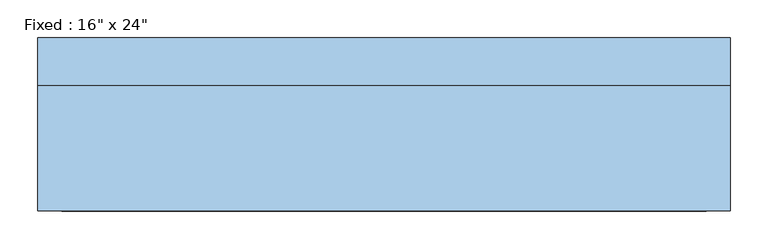
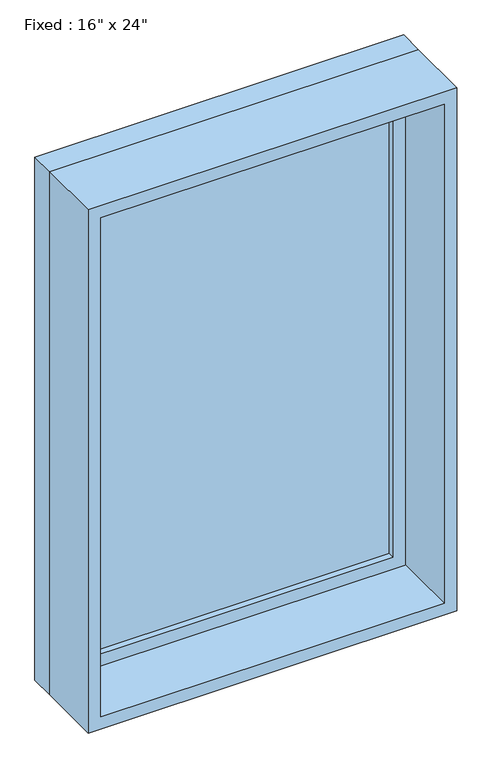
"""IFC4 building model written with IfcOpenShell, lengths in millimetres: window geometry."""

import ifcopenshell
import ifcopenshell.guid

model = None  # the IFC model being written
_history = None  # IfcOwnerHistory: only IFC2X3 demands one
_inside = {}  # id of a spatial element -> (the spatial element, [elements in it])
_under = {}  # id of a project, library or spatial element -> (it, [spatial elements below it])
_declared = {}  # id of a project -> (the project, [libraries it declares])
_typed = {}  # id of a type object -> (the type object, [elements of that type])
_made_of = {}  # id of a material, layer set ... -> (it, [elements and type objects made of it])


def new_model(schema):
    """Start an empty IFC model of exactly this schema.

    Asked for "IFC4X3", IfcOpenShell would pick the latest addendum, in which some entities
    have other attributes; the version numbers below select the first issue.
    IFC2X3 requires an IfcOwnerHistory on every rooted entity: one is made here for all.
    """
    global model, _history
    if schema == "IFC4X3":
        model = ifcopenshell.file(schema_version=(4, 3, 0, 0))
    else:
        model = ifcopenshell.file(schema=schema)
    _inside.clear()
    _under.clear()
    _declared.clear()
    _typed.clear()
    _made_of.clear()
    _history = None
    if model.schema == "IFC2X3":
        org = make("IfcOrganization", Name="unknown")
        user = make(
            "IfcPersonAndOrganization",
            ThePerson=make("IfcPerson", FamilyName="unknown"),
            TheOrganization=org,
        )
        app = make(
            "IfcApplication",
            ApplicationDeveloper=org,
            Version="unknown",
            ApplicationFullName="unknown",
            ApplicationIdentifier="unknown",
        )
        _history = make(
            "IfcOwnerHistory",
            OwningUser=user,
            OwningApplication=app,
            ChangeAction="ADDED",
            CreationDate=0,
        )
    return model


def make(cls, **values):
    """One entity of the class cls with the attributes given. An attribute that is None is left unset."""
    return model.create_entity(
        cls, **{name: value for name, value in values.items() if value is not None}
    )


def rooted(cls, **values):
    """An entity with a GlobalId (a new one), such as an element, a storey or a relation."""
    return make(cls, GlobalId=ifcopenshell.guid.new(), OwnerHistory=_history, **values)


def si_unit(unit_type, name, prefix=None):
    """IfcSIUnit, for example si_unit("LENGTHUNIT", "METRE", prefix="MILLI")."""
    return make("IfcSIUnit", UnitType=unit_type, Prefix=prefix, Name=name)


def assignment(units):
    """IfcUnitAssignment: the units of a project."""
    return None if units is None else make("IfcUnitAssignment", Units=units)


def point(xyz):
    """IfcCartesianPoint."""
    return None if xyz is None else make("IfcCartesianPoint", Coordinates=xyz)


def direction(xyz):
    """IfcDirection."""
    return None if xyz is None else make("IfcDirection", DirectionRatios=xyz)


def frame(location, z_axis=None, x_axis=None):
    """IfcAxis2Placement3D, a coordinate frame: its origin and axes. An axis left out is left unset."""
    return make(
        "IfcAxis2Placement3D",
        Location=point(location),
        Axis=direction(z_axis),
        RefDirection=direction(x_axis),
    )


def origin():
    """The frame at (0, 0, 0) with its axes left unset."""
    return frame((0.0, 0.0, 0.0))


def place(relative_to, where):
    """IfcLocalPlacement: puts the frame where relative to a parent placement (None: the world)."""
    return make(
        "IfcLocalPlacement", PlacementRelTo=relative_to, RelativePlacement=where
    )


def context(
    kind, dimensions, precision=None, world=None, true_north=None, identifier=None
):
    """IfcGeometricRepresentationContext, for example the 3D "Model" context."""
    return make(
        "IfcGeometricRepresentationContext",
        ContextIdentifier=identifier,
        ContextType=kind,
        CoordinateSpaceDimension=dimensions,
        Precision=precision,
        WorldCoordinateSystem=world,
        TrueNorth=true_north,
    )


def project(units=None, contexts=None):
    """IfcProject with its units and contexts."""
    return rooted(
        "IfcProject",
        Name="project",
        RepresentationContexts=contexts,
        UnitsInContext=assignment(units),
    )


def spatial(cls, under=None, at=None, **own):
    """A site, building, storey or space (cls), placed at a placement, below another one or the project."""
    s = rooted(cls, ObjectPlacement=at, **own)
    if under is not None:
        _under.setdefault(under.id(), (under, []))[1].append(s)
    return s


def polyline(points):
    """IfcPolyline through the points."""
    return make("IfcPolyline", Points=[point(p) for p in points])


def outline(outer, holes=None, kind="AREA"):
    """IfcArbitraryClosedProfileDef: a profile drawn as a closed curve; with holes, ...WithVoids."""
    if holes is None:
        return make("IfcArbitraryClosedProfileDef", ProfileType=kind, OuterCurve=outer)
    return make(
        "IfcArbitraryProfileDefWithVoids",
        ProfileType=kind,
        OuterCurve=outer,
        InnerCurves=holes,
    )


def extrude(swept, where, along, depth):
    """IfcExtrudedAreaSolid: the profile swept, set in the frame where, extruded along a direction by depth."""
    return make(
        "IfcExtrudedAreaSolid",
        SweptArea=swept,
        Position=where,
        ExtrudedDirection=direction(along),
        Depth=depth,
    )


def shape(context_of_items, identifier, shape_type, items):
    """IfcShapeRepresentation: the items that make up one representation, for example the "Body"."""
    return make(
        "IfcShapeRepresentation",
        ContextOfItems=context_of_items,
        RepresentationIdentifier=identifier,
        RepresentationType=shape_type,
        Items=items,
    )


def source(mapping_origin, context_of_items, identifier, shape_type, items):
    """IfcRepresentationMap: a shape defined once, which mapped items show again and again."""
    return make(
        "IfcRepresentationMap",
        MappingOrigin=mapping_origin,
        MappedRepresentation=shape(context_of_items, identifier, shape_type, items),
    )


def transform(
    local_origin,
    x_axis=None,
    y_axis=None,
    z_axis=None,
    scale=None,
    scale2=None,
    scale3=None,
    uniform=True,
):
    """IfcCartesianTransformationOperator3D, or its non-uniform kind. x_axis, y_axis, z_axis: its Axis1, 2, 3."""
    if uniform:
        return make(
            "IfcCartesianTransformationOperator3D",
            Axis1=direction(x_axis),
            Axis2=direction(y_axis),
            LocalOrigin=point(local_origin),
            Scale=scale,
            Axis3=direction(z_axis),
        )
    return make(
        "IfcCartesianTransformationOperator3DnonUniform",
        Axis1=direction(x_axis),
        Axis2=direction(y_axis),
        LocalOrigin=point(local_origin),
        Scale=scale,
        Axis3=direction(z_axis),
        Scale2=scale2,
        Scale3=scale3,
    )


def mapped(mapping_source, mapping_target):
    """IfcMappedItem: shows the shape of a source again, moved by a transform."""
    return make(
        "IfcMappedItem", MappingSource=mapping_source, MappingTarget=mapping_target
    )


def made_of(thing, what):
    """Note that an element or type object is made of a material, layer set ...; save() writes the relation."""
    if what is not None:
        _made_of.setdefault(what.id(), (what, []))[1].append(thing)
    return thing


def element(
    cls,
    number,
    at=None,
    inside=None,
    cuts=None,
    type_object=None,
    material=None,
    context=None,
    identifier="Body",
    shape_type=None,
    held_by="IfcProductDefinitionShape",
    body=None,
    shapes=None,
    **own,
):
    """One element of the class cls, such as IfcWall. Its Tag is "e" and its number.

    at: its placement. inside: the storey or other place that contains it. cuts: it is an
    opening in that element (IfcRelVoidsElement). A single representation is given by context,
    identifier, shape_type and body (its items); several are given by shapes. held_by: the class
    of the entity that holds the representations. save() writes the other relations.
    """
    e = rooted(cls, Tag="e%d" % number, ObjectPlacement=at, **own)
    if body is not None:
        shapes = [shape(context, identifier, shape_type, body)]
    if shapes is not None:
        e.Representation = make(held_by, Representations=shapes)
    if inside is not None:
        _inside.setdefault(inside.id(), (inside, []))[1].append(e)
    if cuts is not None:
        rooted(
            "IfcRelVoidsElement", RelatingBuildingElement=cuts, RelatedOpeningElement=e
        )
    if type_object is not None:
        _typed.setdefault(type_object.id(), (type_object, []))[1].append(e)
    return made_of(e, material)


def aggregate(whole, parts):
    """IfcRelAggregates: a whole, such as a stair, and the parts it consists of."""
    return rooted("IfcRelAggregates", RelatingObject=whole, RelatedObjects=parts)


def save(model, path):
    """Write the relations noted so far, then the file.

    IfcRelAggregates (storeys below a building ...), IfcRelContainedInSpatialStructure (elements
    in a storey), IfcRelDefinesByType, IfcRelAssociatesMaterial and IfcRelDeclares: one each for
    every whole, place, type object, material and project.
    """
    for whole, parts in _under.values():
        aggregate(whole, parts)
    for where, things in _inside.values():
        rooted(
            "IfcRelContainedInSpatialStructure",
            RelatedElements=things,
            RelatingStructure=where,
        )
    for kind, things in _typed.values():
        rooted("IfcRelDefinesByType", RelatedObjects=things, RelatingType=kind)
    for what, things in _made_of.values():
        rooted("IfcRelAssociatesMaterial", RelatedObjects=things, RelatingMaterial=what)
    for by, libraries in _declared.values():
        rooted("IfcRelDeclares", RelatingContext=by, RelatedDefinitions=libraries)
    model.write(path)


def window_bfef5b28(model_context):
    return source(origin(), model_context, "Body", "SweptSolid", [
        extrude(outline(polyline([(355.6, 66.675), (-431.8, 66.675), (-431.8, 79.375), (355.6, 79.375), (355.6, 66.675)])), frame((0.0, 0.0, 977.9), z_axis=(0.0, 0.0, 1.0), x_axis=(1.0, 0.0, 0.0)), (0.0, 0.0, 1.0), 1244.6),
        extrude(outline(polyline([(2266.95, -476.25), (933.45, -476.25), (933.45, 400.05), (2266.95, 400.05), (2266.95, -476.25)]), holes=[polyline([(2222.5, -431.8), (2222.5, 355.6), (977.9, 355.6), (977.9, -431.8), (2222.5, -431.8)])]), frame((0.0, 50.8, 0.0), z_axis=(0.0, 1.0, 0.0), x_axis=(0.0, 0.0, 1.0)), (0.0, 0.0, 1.0), 44.45),
        extrude(outline(polyline([(2286.0, -495.3), (914.4, -495.3), (914.4, 419.1), (2286.0, 419.1), (2286.0, -495.3)]), holes=[polyline([(2254.25, -463.55), (2254.25, 387.35), (946.15, 387.35), (946.15, -463.55), (2254.25, -463.55)])]), frame((0.0, -114.3, 0.0), z_axis=(0.0, 1.0, 0.0), x_axis=(0.0, 0.0, 1.0)), (0.0, 0.0, 1.0), 165.1),
        extrude(outline(polyline([(2286.0, 419.1), (2286.0, -495.3), (914.4, -495.3), (914.4, 419.1), (2286.0, 419.1)]), holes=[polyline([(2266.95, 400.05), (933.45, 400.05), (933.45, -476.25), (2266.95, -476.25), (2266.95, 400.05)])]), frame((0.0, 50.8, 0.0), z_axis=(0.0, 1.0, 0.0), x_axis=(0.0, 0.0, 1.0)), (0.0, 0.0, 1.0), 63.5),
    ])


if __name__ == "__main__":
    model = new_model("IFC4")
    model_context = context("Model", 3, world=origin())
    ifc_project = project(units=[si_unit("LENGTHUNIT", "METRE", prefix="MILLI")], contexts=[model_context])
    site = spatial("IfcSite", under=ifc_project)
    building = spatial("IfcBuilding", under=site)
    placement = place(None, origin())
    window_shape = window_bfef5b28(model_context)
    element("IfcWindow", 1, ObjectType="Fixed : 16\" x 24\"", at=placement, inside=building, context=model_context, shape_type="MappedRepresentation", body=[
        mapped(window_shape, transform((0.0, 0.0, 0.0), x_axis=(1.0, 0.0, 0.0), y_axis=(0.0, 1.0, 0.0), z_axis=(0.0, 0.0, 1.0))),
    ])
    save(model, "model.ifc")
